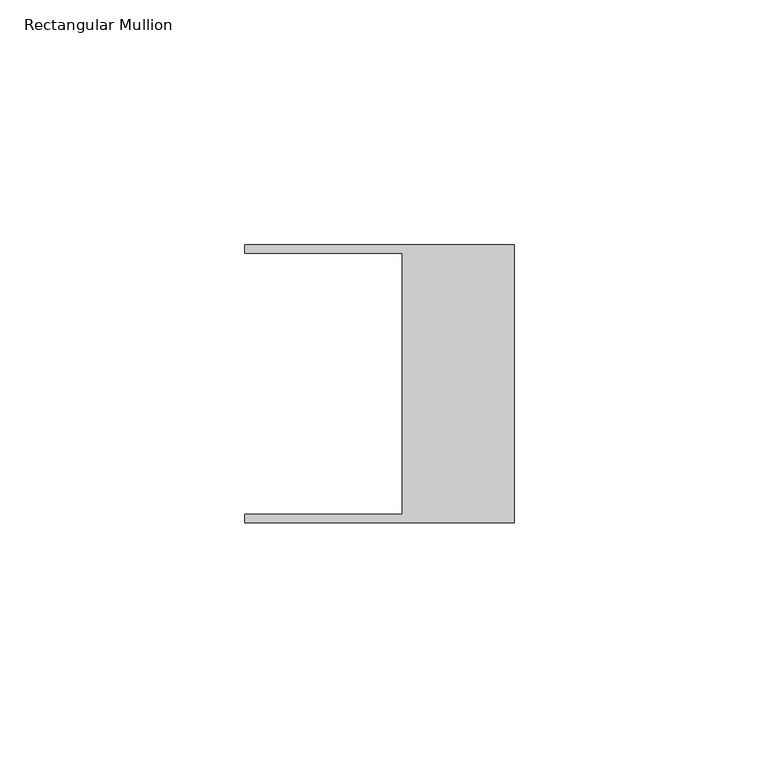
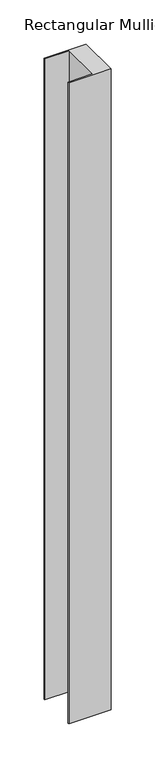
"""IFC4 building model written with IfcOpenShell, lengths in millimetres: member geometry, Rectangular Mullion."""

from ifc_helpers import new_model, si_unit, frame, origin, place, context, project, spatial, polyline, outline, extrude, source, transform, mapped, element, save


def rectangular_mullion_b14c37ce(model_context):
    return source(origin(), model_context, "Body", "SweptSolid", [
        extrude(outline(polyline([(-55.118, -26.67), (-22.86, -26.67), (-22.86, 26.67), (-55.118, 26.67), (-55.118, 28.448), (0.0, 28.448), (0.0, -28.448), (-55.118, -28.448), (-55.118, -26.67)])), frame((0.0, 0.0, -887.8149684), z_axis=(0.0, 0.0, 1.0), x_axis=(1.0, 0.0, 0.0)), (0.0, 0.0, 1.0), 887.8149684),
    ])


if __name__ == "__main__":
    model = new_model("IFC4")
    model_context = context("Model", 3, world=origin())
    ifc_project = project(units=[si_unit("LENGTHUNIT", "METRE", prefix="MILLI")], contexts=[model_context])
    site = spatial("IfcSite", under=ifc_project)
    building = spatial("IfcBuilding", under=site)
    placement = place(None, origin())
    rectangular_mullion_shape = rectangular_mullion_b14c37ce(model_context)
    element("IfcMember", 1, ObjectType="Rectangular Mullion", at=placement, inside=building, context=model_context, shape_type="MappedRepresentation", body=[
        mapped(rectangular_mullion_shape, transform((0.0, 0.0, 0.0), x_axis=(1.0, 0.0, 0.0), y_axis=(0.0, 1.0, 0.0), z_axis=(0.0, 0.0, 1.0))),
    ])
    save(model, "model.ifc")
